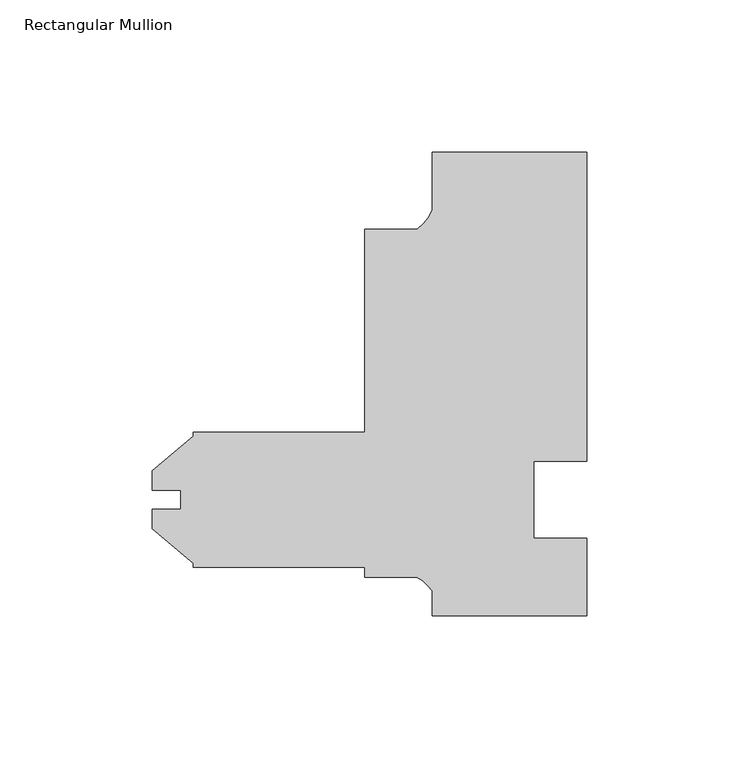
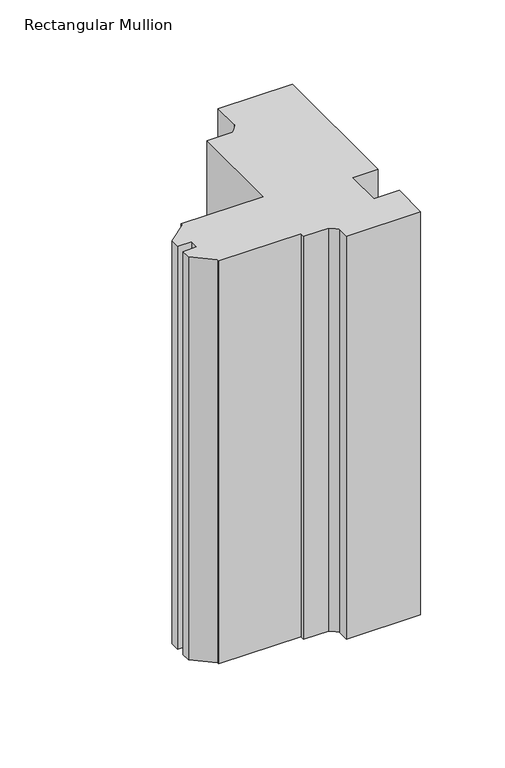
"""IFC4 building model written with IfcOpenShell, lengths in millimetres: member geometry, Rectangular Mullion."""

from ifc_helpers import new_model, si_unit, point, frame, frame_2d, origin, place, context, project, spatial, polyline, circle_curve, trimmed, segment, composite_curve, outline, extrude, source, transform, mapped, element, save


def rectangular_mullion_bb51c5b9(model_context):
    return source(origin(), model_context, "Body", "SweptSolid", [
        extrude(outline(composite_curve([segment(polyline([(0.0, 152.4), (0.0, 50.8), (-17.4498, 50.8), (-17.4498, 25.4), (0.0, 25.4), (-1.02e-05, 0.0), (-50.8000102, 0.0), (-50.8000102, 8.1515407)]), True, "CONTINUOUS"), segment(trimmed(circle_curve(frame_2d((-62.7094465, 0.1243368)), 14.3621265), [point((-50.8000102, 8.1515407))], [point((-55.7723453, 12.7))], True, "CARTESIAN"), True, "CONTINUOUS"), segment(polyline([(-55.7723453, 12.7), (-73.025, 12.7), (-73.025, 15.875), (-129.38125, 15.875), (-129.38125, 17.2691667), (-142.84325, 28.565126), (-142.84325, 34.9353979), (-133.4476459, 34.9353979), (-133.4476459, 41.2595221), (-142.84325, 41.2595221), (-142.84325, 47.629794), (-129.38125, 58.9257533), (-129.38125, 60.325), (-73.025, 60.325), (-73.025, 127.0), (-55.6934851, 127.0)]), True, "CONTINUOUS"), segment(trimmed(circle_curve(frame_2d((-64.9144624, 139.281361)), 15.3576772), [point((-55.6934851, 127.0))], [point((-50.8, 133.228246))], True, "CARTESIAN"), True, "CONTINUOUS"), segment(polyline([(-50.8, 133.228246), (-50.8, 152.4), (0.0, 152.4)]), True, "CONTINUOUS")], self_intersect=False)), frame((0.0, 0.0, -292.1), z_axis=(0.0, 0.0, 1.0), x_axis=(1.0, 0.0, 0.0)), (0.0, 0.0, 1.0), 292.1),
    ])


if __name__ == "__main__":
    model = new_model("IFC4")
    model_context = context("Model", 3, world=origin())
    ifc_project = project(units=[si_unit("LENGTHUNIT", "METRE", prefix="MILLI")], contexts=[model_context])
    site = spatial("IfcSite", under=ifc_project)
    building = spatial("IfcBuilding", under=site)
    placement = place(None, origin())
    rectangular_mullion_shape = rectangular_mullion_bb51c5b9(model_context)
    element("IfcMember", 1, ObjectType="Rectangular Mullion", at=placement, inside=building, context=model_context, shape_type="MappedRepresentation", body=[
        mapped(rectangular_mullion_shape, transform((0.0, 0.0, 0.0), x_axis=(1.0, 0.0, 0.0), y_axis=(0.0, 1.0, 0.0), z_axis=(0.0, 0.0, 1.0))),
    ])
    save(model, "model.ifc")
